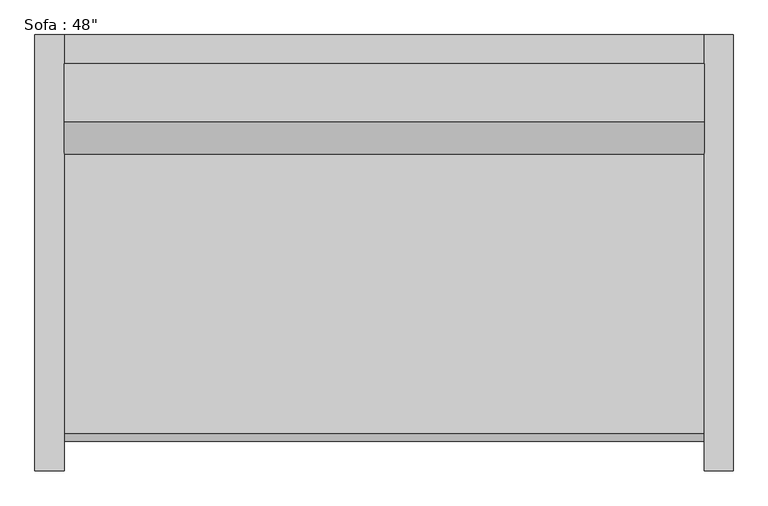
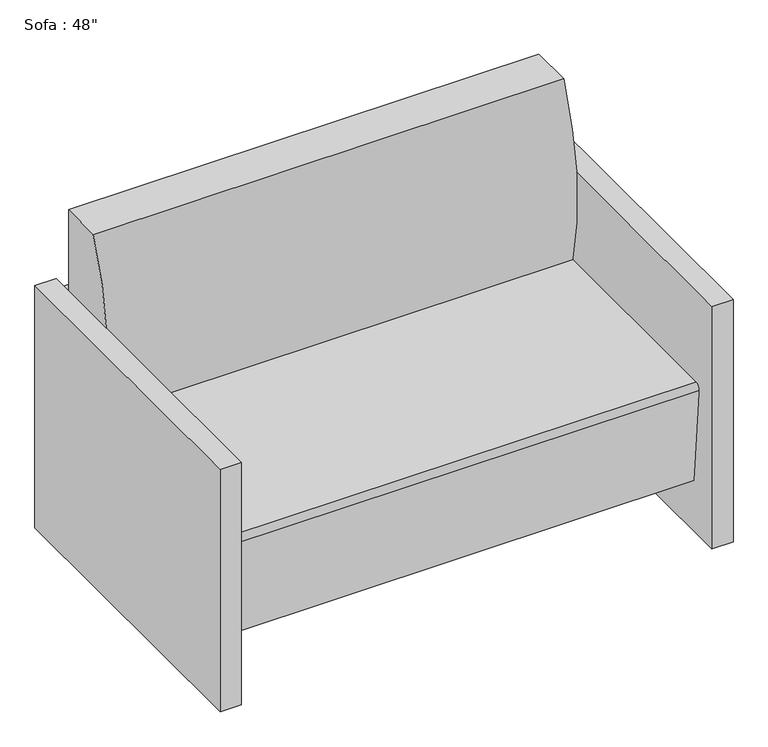
"""IFC4 building model written with IfcOpenShell, lengths in millimetres: furniture geometry."""

from ifc_helpers import new_model, si_unit, point, frame, frame_2d, origin, origin_with_axes, place, context, project, spatial, polyline, circle_curve, trimmed, segment, composite_curve, outline, extrude, source, transform, mapped, element, save


def furniture_308d5c3a(model_context):
    return source(origin(), model_context, "Body", "SweptSolid", [
        extrude(outline(polyline([(-488.4295082, 425.5540984), (-488.4295082, 476.3540984), (629.1704918, 476.3540984), (629.1704918, 425.5540984), (-488.4295082, 425.5540984)])), frame((0.0, 0.0, 457.2), z_axis=(0.0, 0.0, 1.0), x_axis=(1.0, 0.0, 0.0)), (0.0, 0.0, 1.0), 127.0),
        extrude(outline(polyline([(-488.4295082, 425.5540984), (-488.4295082, 476.3540984), (629.1704918, 476.3540984), (629.1704918, 425.5540984), (-488.4295082, 425.5540984)])), frame((0.0, 0.0, 266.7), z_axis=(0.0, 0.0, 1.0), x_axis=(1.0, 0.0, 0.0)), (0.0, 0.0, 1.0), 127.0),
        extrude(outline(polyline([(-488.4295082, 425.5540984), (-488.4295082, 476.3540984), (629.1704918, 476.3540984), (629.1704918, 425.5540984), (-488.4295082, 425.5540984)])), frame((0.0, 0.0, 76.2), z_axis=(0.0, 0.0, 1.0), x_axis=(1.0, 0.0, 0.0)), (0.0, 0.0, 1.0), 127.0),
        extrude(outline(composite_curve([segment(trimmed(circle_curve(frame_2d((926.517198, 542.5300036)), 660.4), [point((286.1764935, 381.0))], [point((323.9540984, 812.8))], False, "CARTESIAN"), True, "CONTINUOUS"), segment(polyline([(323.9540984, 812.8), (425.5540984, 812.8), (425.5540984, 127.9665467), (-212.708343, 127.9665467), (-233.6379563, 367.1931221)]), True, "CONTINUOUS"), segment(trimmed(circle_curve(frame_2d((-220.9862837, 368.3)), 12.7), [point((-233.6379563, 367.1931221))], [point((-220.9862837, 381.0))], False, "CARTESIAN"), True, "CONTINUOUS"), segment(polyline([(-220.9862837, 381.0), (286.1764935, 381.0)]), True, "CONTINUOUS")], self_intersect=False)), frame((-488.4295082, 0.0, 0.0), z_axis=(1.0, 0.0, 0.0), x_axis=(0.0, 1.0, 0.0)), (0.0, 0.0, 1.0), 1117.6),
        extrude(outline(polyline([(-539.2295082, 476.3540984), (-488.4295082, 476.3540984), (-488.4295082, -285.6459016), (-539.2295082, -285.6459016), (-539.2295082, 476.3540984)])), origin_with_axes(), (0.0, 0.0, 1.0), 609.6),
        extrude(outline(polyline([(679.9704918, 476.3540984), (679.9704918, -285.6459016), (629.1704918, -285.6459016), (629.1704918, 476.3540984), (679.9704918, 476.3540984)])), origin_with_axes(), (0.0, 0.0, 1.0), 609.6),
    ])


if __name__ == "__main__":
    model = new_model("IFC4")
    model_context = context("Model", 3, world=origin())
    ifc_project = project(units=[si_unit("LENGTHUNIT", "METRE", prefix="MILLI")], contexts=[model_context])
    site = spatial("IfcSite", under=ifc_project)
    building = spatial("IfcBuilding", under=site)
    placement = place(None, origin())
    furniture_shape = furniture_308d5c3a(model_context)
    element("IfcFurniture", 1, ObjectType="Sofa : 48\"", at=placement, inside=building, context=model_context, shape_type="MappedRepresentation", body=[
        mapped(furniture_shape, transform((0.0, 0.0, 0.0), x_axis=(1.0, 0.0, 0.0), y_axis=(0.0, 1.0, 0.0), z_axis=(0.0, 0.0, 1.0))),
    ])
    save(model, "model.ifc")
